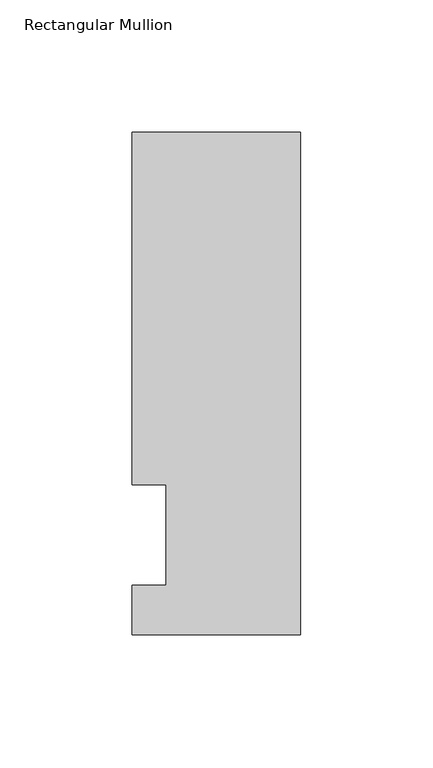
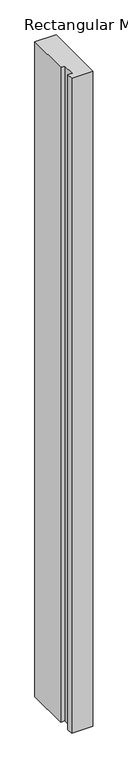
"""IFC4 building model written with IfcOpenShell, lengths in millimetres: member geometry, Rectangular Mullion."""

from ifc_helpers import new_model, si_unit, frame, origin, place, context, project, spatial, polyline, outline, extrude, source, transform, mapped, element, save


def rectangular_mullion_80bc9b43(model_context):
    return source(origin(), model_context, "Body", "SweptSolid", [
        extrude(outline(polyline([(-19.05, 56.6539062), (-31.75, 56.6539063), (-31.75, 189.5975063), (31.75, 189.5975062), (31.75, 0.0119062), (-31.75, 0.0119062), (-31.75, 18.5539062), (-19.05, 18.5539062), (-19.05, 56.6539062)])), frame((0.0, 0.0, -2070.1), z_axis=(0.0, 0.0, 1.0), x_axis=(1.0, 0.0, 0.0)), (0.0, 0.0, 1.0), 2070.1),
    ])


if __name__ == "__main__":
    model = new_model("IFC4")
    model_context = context("Model", 3, world=origin())
    ifc_project = project(units=[si_unit("LENGTHUNIT", "METRE", prefix="MILLI")], contexts=[model_context])
    site = spatial("IfcSite", under=ifc_project)
    building = spatial("IfcBuilding", under=site)
    placement = place(None, origin())
    rectangular_mullion_shape = rectangular_mullion_80bc9b43(model_context)
    element("IfcMember", 1, ObjectType="Rectangular Mullion", at=placement, inside=building, context=model_context, shape_type="MappedRepresentation", body=[
        mapped(rectangular_mullion_shape, transform((0.0, 0.0, 0.0), x_axis=(1.0, 0.0, 0.0), y_axis=(0.0, 1.0, 0.0), z_axis=(0.0, 0.0, 1.0))),
    ])
    save(model, "model.ifc")
